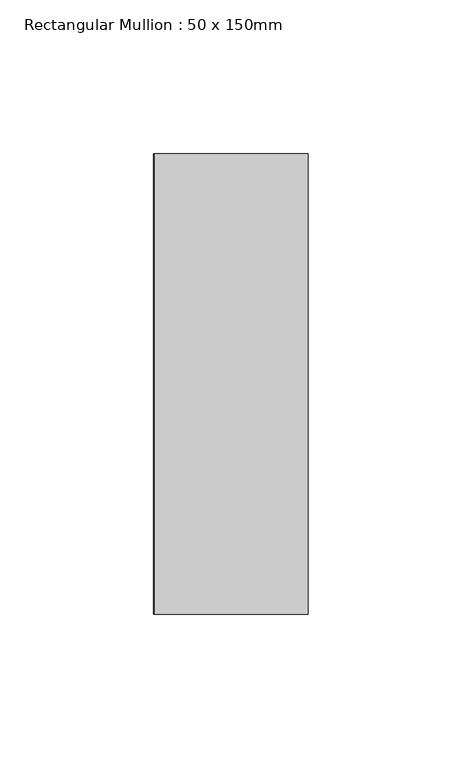
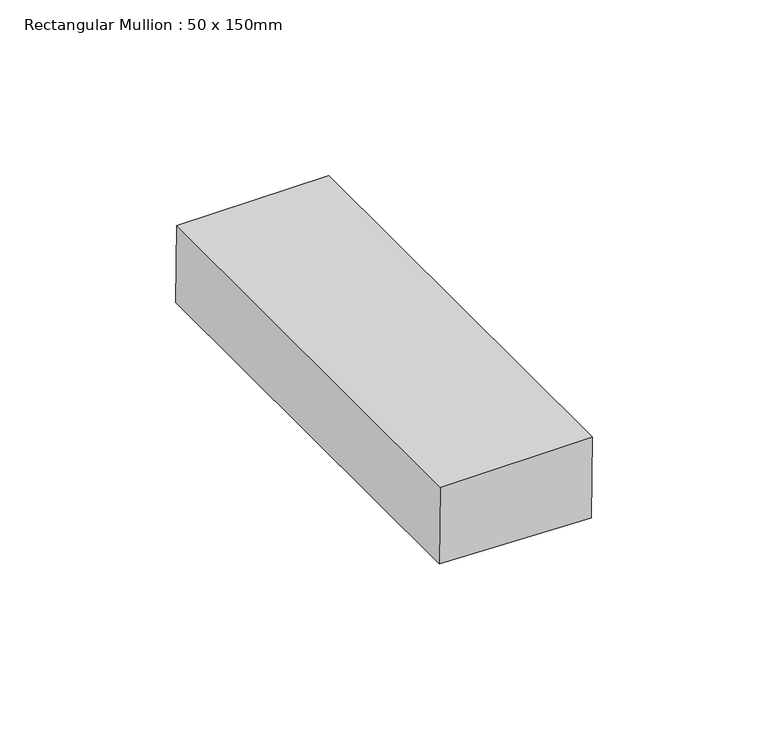
"""IFC4 building model written with IfcOpenShell, lengths in millimetres: member geometry, Rectangular Mullion : 50 x 150mm."""

from ifc_helpers import new_model, si_unit, point, frame, frame_2d, origin, place, context, project, spatial, polyline, circle_curve, trimmed, segment, composite_curve, outline, extrude, source, transform, mapped, element, save


def rectangular_mullion_50_x_150mm_039861fa(model_context):
    return source(origin(), model_context, "Body", "SweptSolid", [
        extrude(outline(composite_curve([segment(trimmed(circle_curve(frame_2d((0.0, -938.6175609)), 938.6175609), [point((-28.0114086, -0.418069))], [point((0.0, 0.0))], False, "CARTESIAN"), True, "CONTINUOUS"), segment(polyline([(0.0, 0.0), (0.0, -50.0)]), True, "CONTINUOUS"), segment(trimmed(circle_curve(frame_2d((0.0, -938.6175609)), 888.6175609), [point((0.0, -50.0))], [point((-26.5192456, -50.3957985))], True, "CARTESIAN"), True, "CONTINUOUS"), segment(polyline([(-26.5192456, -50.3957985), (-28.0114086, -0.418069)]), True, "CONTINUOUS")], self_intersect=False)), frame((0.0, -75.0, 0.0), z_axis=(0.0, 1.0, 0.0), x_axis=(0.0, 0.0, 1.0)), (0.0, 0.0, 1.0), 150.0),
    ])


if __name__ == "__main__":
    model = new_model("IFC4")
    model_context = context("Model", 3, world=origin())
    ifc_project = project(units=[si_unit("LENGTHUNIT", "METRE", prefix="MILLI")], contexts=[model_context])
    site = spatial("IfcSite", under=ifc_project)
    building = spatial("IfcBuilding", under=site)
    placement = place(None, origin())
    rectangular_mullion_50_x_150mm_shape = rectangular_mullion_50_x_150mm_039861fa(model_context)
    element("IfcMember", 1, ObjectType="Rectangular Mullion : 50 x 150mm", at=placement, inside=building, context=model_context, shape_type="MappedRepresentation", body=[
        mapped(rectangular_mullion_50_x_150mm_shape, transform((0.0, 0.0, 0.0), x_axis=(1.0, 0.0, 0.0), y_axis=(0.0, 1.0, 0.0), z_axis=(0.0, 0.0, 1.0))),
    ])
    save(model, "model.ifc")
